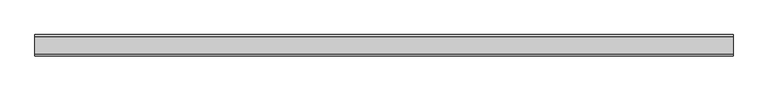
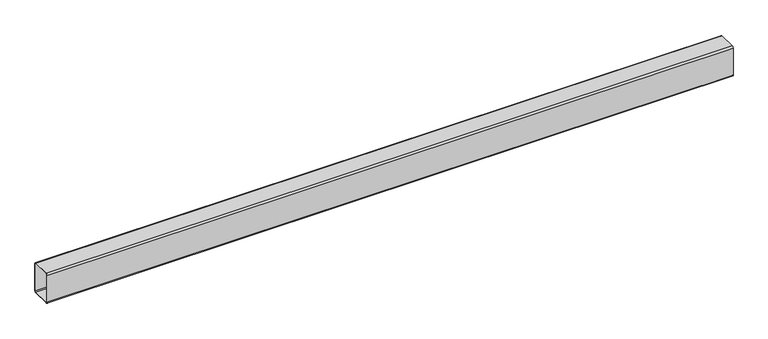
"""IFC4 building model written with IfcOpenShell, lengths in millimetres: beam geometry."""

import ifcopenshell
import ifcopenshell.guid

model = None  # the IFC model being written
_history = None  # IfcOwnerHistory: only IFC2X3 demands one
_inside = {}  # id of a spatial element -> (the spatial element, [elements in it])
_under = {}  # id of a project, library or spatial element -> (it, [spatial elements below it])
_declared = {}  # id of a project -> (the project, [libraries it declares])
_typed = {}  # id of a type object -> (the type object, [elements of that type])
_made_of = {}  # id of a material, layer set ... -> (it, [elements and type objects made of it])


def new_model(schema):
    """Start an empty IFC model of exactly this schema.

    Asked for "IFC4X3", IfcOpenShell would pick the latest addendum, in which some entities
    have other attributes; the version numbers below select the first issue.
    IFC2X3 requires an IfcOwnerHistory on every rooted entity: one is made here for all.
    """
    global model, _history
    if schema == "IFC4X3":
        model = ifcopenshell.file(schema_version=(4, 3, 0, 0))
    else:
        model = ifcopenshell.file(schema=schema)
    _inside.clear()
    _under.clear()
    _declared.clear()
    _typed.clear()
    _made_of.clear()
    _history = None
    if model.schema == "IFC2X3":
        org = make("IfcOrganization", Name="unknown")
        user = make(
            "IfcPersonAndOrganization",
            ThePerson=make("IfcPerson", FamilyName="unknown"),
            TheOrganization=org,
        )
        app = make(
            "IfcApplication",
            ApplicationDeveloper=org,
            Version="unknown",
            ApplicationFullName="unknown",
            ApplicationIdentifier="unknown",
        )
        _history = make(
            "IfcOwnerHistory",
            OwningUser=user,
            OwningApplication=app,
            ChangeAction="ADDED",
            CreationDate=0,
        )
    return model


def make(cls, **values):
    """One entity of the class cls with the attributes given. An attribute that is None is left unset."""
    return model.create_entity(
        cls, **{name: value for name, value in values.items() if value is not None}
    )


def rooted(cls, **values):
    """An entity with a GlobalId (a new one), such as an element, a storey or a relation."""
    return make(cls, GlobalId=ifcopenshell.guid.new(), OwnerHistory=_history, **values)


def si_unit(unit_type, name, prefix=None):
    """IfcSIUnit, for example si_unit("LENGTHUNIT", "METRE", prefix="MILLI")."""
    return make("IfcSIUnit", UnitType=unit_type, Prefix=prefix, Name=name)


def assignment(units):
    """IfcUnitAssignment: the units of a project."""
    return None if units is None else make("IfcUnitAssignment", Units=units)


def point(xyz):
    """IfcCartesianPoint."""
    return None if xyz is None else make("IfcCartesianPoint", Coordinates=xyz)


def direction(xyz):
    """IfcDirection."""
    return None if xyz is None else make("IfcDirection", DirectionRatios=xyz)


def frame(location, z_axis=None, x_axis=None):
    """IfcAxis2Placement3D, a coordinate frame: its origin and axes. An axis left out is left unset."""
    return make(
        "IfcAxis2Placement3D",
        Location=point(location),
        Axis=direction(z_axis),
        RefDirection=direction(x_axis),
    )


def frame_2d(location, x_axis=None):
    """IfcAxis2Placement2D, a coordinate frame in the plane: its origin and x axis."""
    return make(
        "IfcAxis2Placement2D", Location=point(location), RefDirection=direction(x_axis)
    )


def origin():
    """The frame at (0, 0, 0) with its axes left unset."""
    return frame((0.0, 0.0, 0.0))


def place(relative_to, where):
    """IfcLocalPlacement: puts the frame where relative to a parent placement (None: the world)."""
    return make(
        "IfcLocalPlacement", PlacementRelTo=relative_to, RelativePlacement=where
    )


def context(
    kind, dimensions, precision=None, world=None, true_north=None, identifier=None
):
    """IfcGeometricRepresentationContext, for example the 3D "Model" context."""
    return make(
        "IfcGeometricRepresentationContext",
        ContextIdentifier=identifier,
        ContextType=kind,
        CoordinateSpaceDimension=dimensions,
        Precision=precision,
        WorldCoordinateSystem=world,
        TrueNorth=true_north,
    )


def project(units=None, contexts=None):
    """IfcProject with its units and contexts."""
    return rooted(
        "IfcProject",
        Name="project",
        RepresentationContexts=contexts,
        UnitsInContext=assignment(units),
    )


def spatial(cls, under=None, at=None, **own):
    """A site, building, storey or space (cls), placed at a placement, below another one or the project."""
    s = rooted(cls, ObjectPlacement=at, **own)
    if under is not None:
        _under.setdefault(under.id(), (under, []))[1].append(s)
    return s


def polyline(points):
    """IfcPolyline through the points."""
    return make("IfcPolyline", Points=[point(p) for p in points])


def circle_curve(where, radius):
    """IfcCircle in the frame where."""
    return make("IfcCircle", Position=where, Radius=radius)


def trimmed(basis, trim1, trim2, sense, master):
    """IfcTrimmedCurve: the piece of a basis curve between two trims."""
    return make(
        "IfcTrimmedCurve",
        BasisCurve=basis,
        Trim1=trim1,
        Trim2=trim2,
        SenseAgreement=sense,
        MasterRepresentation=master,
    )


def segment(curve, same_sense, transition):
    """IfcCompositeCurveSegment."""
    return make(
        "IfcCompositeCurveSegment",
        Transition=transition,
        SameSense=same_sense,
        ParentCurve=curve,
    )


def composite_curve(segments, self_intersect=None):
    """IfcCompositeCurve: segments joined end to end."""
    return make("IfcCompositeCurve", Segments=segments, SelfIntersect=self_intersect)


def outline(outer, holes=None, kind="AREA"):
    """IfcArbitraryClosedProfileDef: a profile drawn as a closed curve; with holes, ...WithVoids."""
    if holes is None:
        return make("IfcArbitraryClosedProfileDef", ProfileType=kind, OuterCurve=outer)
    return make(
        "IfcArbitraryProfileDefWithVoids",
        ProfileType=kind,
        OuterCurve=outer,
        InnerCurves=holes,
    )


def extrude(swept, where, along, depth):
    """IfcExtrudedAreaSolid: the profile swept, set in the frame where, extruded along a direction by depth."""
    return make(
        "IfcExtrudedAreaSolid",
        SweptArea=swept,
        Position=where,
        ExtrudedDirection=direction(along),
        Depth=depth,
    )


def shape(context_of_items, identifier, shape_type, items):
    """IfcShapeRepresentation: the items that make up one representation, for example the "Body"."""
    return make(
        "IfcShapeRepresentation",
        ContextOfItems=context_of_items,
        RepresentationIdentifier=identifier,
        RepresentationType=shape_type,
        Items=items,
    )


def source(mapping_origin, context_of_items, identifier, shape_type, items):
    """IfcRepresentationMap: a shape defined once, which mapped items show again and again."""
    return make(
        "IfcRepresentationMap",
        MappingOrigin=mapping_origin,
        MappedRepresentation=shape(context_of_items, identifier, shape_type, items),
    )


def transform(
    local_origin,
    x_axis=None,
    y_axis=None,
    z_axis=None,
    scale=None,
    scale2=None,
    scale3=None,
    uniform=True,
):
    """IfcCartesianTransformationOperator3D, or its non-uniform kind. x_axis, y_axis, z_axis: its Axis1, 2, 3."""
    if uniform:
        return make(
            "IfcCartesianTransformationOperator3D",
            Axis1=direction(x_axis),
            Axis2=direction(y_axis),
            LocalOrigin=point(local_origin),
            Scale=scale,
            Axis3=direction(z_axis),
        )
    return make(
        "IfcCartesianTransformationOperator3DnonUniform",
        Axis1=direction(x_axis),
        Axis2=direction(y_axis),
        LocalOrigin=point(local_origin),
        Scale=scale,
        Axis3=direction(z_axis),
        Scale2=scale2,
        Scale3=scale3,
    )


def mapped(mapping_source, mapping_target):
    """IfcMappedItem: shows the shape of a source again, moved by a transform."""
    return make(
        "IfcMappedItem", MappingSource=mapping_source, MappingTarget=mapping_target
    )


def made_of(thing, what):
    """Note that an element or type object is made of a material, layer set ...; save() writes the relation."""
    if what is not None:
        _made_of.setdefault(what.id(), (what, []))[1].append(thing)
    return thing


def element(
    cls,
    number,
    at=None,
    inside=None,
    cuts=None,
    type_object=None,
    material=None,
    context=None,
    identifier="Body",
    shape_type=None,
    held_by="IfcProductDefinitionShape",
    body=None,
    shapes=None,
    **own,
):
    """One element of the class cls, such as IfcWall. Its Tag is "e" and its number.

    at: its placement. inside: the storey or other place that contains it. cuts: it is an
    opening in that element (IfcRelVoidsElement). A single representation is given by context,
    identifier, shape_type and body (its items); several are given by shapes. held_by: the class
    of the entity that holds the representations. save() writes the other relations.
    """
    e = rooted(cls, Tag="e%d" % number, ObjectPlacement=at, **own)
    if body is not None:
        shapes = [shape(context, identifier, shape_type, body)]
    if shapes is not None:
        e.Representation = make(held_by, Representations=shapes)
    if inside is not None:
        _inside.setdefault(inside.id(), (inside, []))[1].append(e)
    if cuts is not None:
        rooted(
            "IfcRelVoidsElement", RelatingBuildingElement=cuts, RelatedOpeningElement=e
        )
    if type_object is not None:
        _typed.setdefault(type_object.id(), (type_object, []))[1].append(e)
    return made_of(e, material)


def aggregate(whole, parts):
    """IfcRelAggregates: a whole, such as a stair, and the parts it consists of."""
    return rooted("IfcRelAggregates", RelatingObject=whole, RelatedObjects=parts)


def save(model, path):
    """Write the relations noted so far, then the file.

    IfcRelAggregates (storeys below a building ...), IfcRelContainedInSpatialStructure (elements
    in a storey), IfcRelDefinesByType, IfcRelAssociatesMaterial and IfcRelDeclares: one each for
    every whole, place, type object, material and project.
    """
    for whole, parts in _under.values():
        aggregate(whole, parts)
    for where, things in _inside.values():
        rooted(
            "IfcRelContainedInSpatialStructure",
            RelatedElements=things,
            RelatingStructure=where,
        )
    for kind, things in _typed.values():
        rooted("IfcRelDefinesByType", RelatedObjects=things, RelatingType=kind)
    for what, things in _made_of.values():
        rooted("IfcRelAssociatesMaterial", RelatedObjects=things, RelatingMaterial=what)
    for by, libraries in _declared.values():
        rooted("IfcRelDeclares", RelatingContext=by, RelatedDefinitions=libraries)
    model.write(path)


def beam_a5540db9(model_context):
    return source(origin(), model_context, "Body", "SweptSolid", [
        extrude(outline(composite_curve([segment(trimmed(circle_curve(frame_2d((85.0, 136.6100358)), 15.0), [point((85.0, 151.6100358))], [point((100.0, 136.6100358))], False, "CARTESIAN"), True, "CONTINUOUS"), segment(polyline([(100.0, 136.6100358), (100.0, -133.3899642)]), True, "CONTINUOUS"), segment(trimmed(circle_curve(frame_2d((85.0, -133.3899642)), 15.0), [point((100.0, -133.3899642))], [point((85.0, -148.3899642))], False, "CARTESIAN"), True, "CONTINUOUS"), segment(polyline([(85.0, -148.3899642), (-85.0, -148.3899642)]), True, "CONTINUOUS"), segment(trimmed(circle_curve(frame_2d((-85.0, -133.3899642)), 15.0), [point((-85.0, -148.3899642))], [point((-100.0, -133.3899642))], False, "CARTESIAN"), True, "CONTINUOUS"), segment(polyline([(-100.0, -133.3899642), (-100.0, 136.6100358)]), True, "CONTINUOUS"), segment(trimmed(circle_curve(frame_2d((-85.0, 136.6100358)), 15.0), [point((-100.0, 136.6100358))], [point((-85.0, 151.6100358))], False, "CARTESIAN"), True, "CONTINUOUS"), segment(polyline([(-85.0, 151.6100358), (85.0, 151.6100358)]), True, "CONTINUOUS")], self_intersect=False), holes=[composite_curve([segment(polyline([(95.0, -134.3899642), (95.0, 137.6100358)]), True, "CONTINUOUS"), segment(trimmed(circle_curve(frame_2d((86.0, 137.6100358)), 9.0), [point((95.0, 137.6100358))], [point((86.0, 146.6100358))], True, "CARTESIAN"), True, "CONTINUOUS"), segment(polyline([(86.0, 146.6100358), (-86.0, 146.6100358)]), True, "CONTINUOUS"), segment(trimmed(circle_curve(frame_2d((-86.0, 137.6100358)), 9.0), [point((-86.0, 146.6100358))], [point((-95.0, 137.6100358))], True, "CARTESIAN"), True, "CONTINUOUS"), segment(polyline([(-95.0, 137.6100358), (-95.0, -134.3899642)]), True, "CONTINUOUS"), segment(trimmed(circle_curve(frame_2d((-86.0, -134.3899642)), 9.0), [point((-95.0, -134.3899642))], [point((-86.0, -143.3899642))], True, "CARTESIAN"), True, "CONTINUOUS"), segment(polyline([(-86.0, -143.3899642), (86.0, -143.3899642)]), True, "CONTINUOUS"), segment(trimmed(circle_curve(frame_2d((86.0, -134.3899642)), 9.0), [point((86.0, -143.3899642))], [point((95.0, -134.3899642))], True, "CARTESIAN"), True, "CONTINUOUS")], self_intersect=False)]), frame((-3287.3, 0.0, 0.0), z_axis=(1.0, 0.0, 0.0), x_axis=(0.0, 1.0, 0.0)), (0.0, 0.0, 1.0), 6574.6),
    ])


if __name__ == "__main__":
    model = new_model("IFC4")
    model_context = context("Model", 3, world=origin())
    ifc_project = project(units=[si_unit("LENGTHUNIT", "METRE", prefix="MILLI")], contexts=[model_context])
    site = spatial("IfcSite", under=ifc_project)
    building = spatial("IfcBuilding", under=site)
    placement = place(None, origin())
    beam_shape = beam_a5540db9(model_context)
    element("IfcBeam", 1, at=placement, inside=building, context=model_context, shape_type="MappedRepresentation", body=[
        mapped(beam_shape, transform((0.0, 0.0, 0.0), x_axis=(1.0, 0.0, 0.0), y_axis=(0.0, 1.0, 0.0), z_axis=(0.0, 0.0, 1.0))),
    ])
    save(model, "model.ifc")
